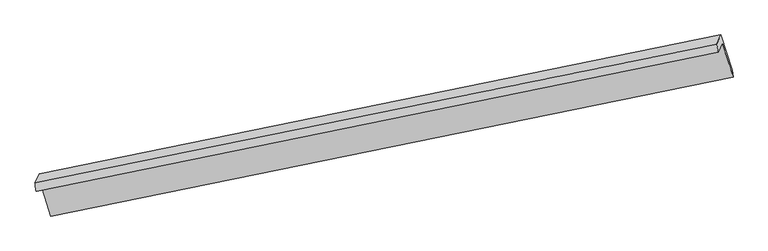
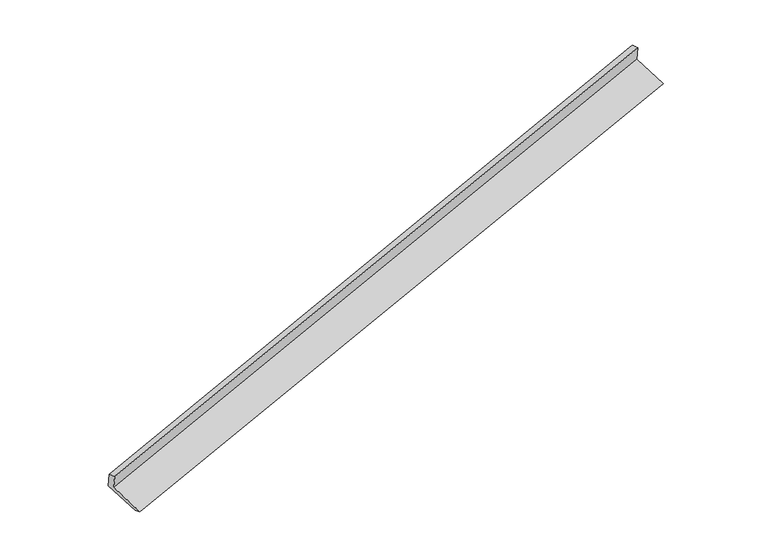
"""IFC4 building model written with IfcOpenShell, lengths in millimetres: proxy geometry."""

from ifc_helpers import new_model, si_unit, frame, origin, place, context, project, spatial, source, transform, mapped, element, save
from ifc_brep_helpers import plane_surface, spline_surface, advanced_brep


def generic_models_7a63361f(model_context):
    return source(origin(), model_context, "Body", "AdvancedBrep", [
        advanced_brep(
        [(-9701.8404861, -2858.0577857, 346.8885015), (-9622.4539988, -2681.6434965, -51.5430579), (3834.0528929, 76.747905, 3845.4120661), (3751.9778476, -105.6409533, 4257.337186), (-9724.7229952, -2691.5735369, 307.3530556), (3726.4067804, 54.8687262, 4231.2953008), (-9642.495327, -2508.8455169, -105.3380608), (3808.6344486, 237.5967463, 3818.6041844), (-9426.7987929, -3189.6595764, -363.8063869), (4028.5909597, -456.6632975, 3555.0311444), (-9412.17468, -3345.3589209, -303.5199558), (4048.5921887, -600.4135036, 3588.3304542)],
        [
            (0, 1),
            (1, 2),
            (2, 3),
            (3, 0),
            (4, 0),
            (3, 5),
            (5, 4),
            (6, 4),
            (5, 7),
            (7, 6),
            (8, 6),
            (7, 9),
            (9, 8),
            (10, 8),
            (9, 11),
            (11, 10),
            (1, 10),
            (11, 2),
        ],
        [
            plane_surface(frame((-9662.1472424, -2769.8506411, 147.6727218), z_axis=(0.28249278640980924, -0.896708607256139, -0.34075137461084093), x_axis=(0.1792372040570958, 0.39830461105595144, -0.8995707095572656))),
            spline_surface(1, 1, [[(-9724.7229952, -2691.5735369, 307.3530556), (3726.4067804, 54.8687262, 4231.2953008)], [(-9701.8404861, -2858.0577857, 346.8885015), (3751.9778476, -105.6409533, 4257.337186)]], [2, 2], [2, 2], [0.0, 1.0], [0.0, 1.0]),
            plane_surface(frame((-9683.6091611, -2600.2095269, 101.0074974), z_axis=(-0.28249278640979947, 0.8967086072561614, 0.34075137461079047), x_axis=(-0.1792372040571609, -0.39830461105591125, 0.8995707095572705))),
            plane_surface(frame((-9534.64706, -2849.2525467, -234.5722239), z_axis=(0.18088613919824234, 0.39864451443806076, -0.8990899597673176), x_axis=(-0.2839984627946049, 0.8963989484286515, 0.3403142641534574))),
            spline_surface(1, 1, [[(-9412.17468, -3345.3589209, -303.5199558), (4048.5921887, -600.4135036, 3588.3304542)], [(-9426.7987929, -3189.6595764, -363.8063869), (4028.5909597, -456.6632975, 3555.0311444)]], [2, 2], [2, 2], [0.0, 1.0], [0.0, 1.0]),
            plane_surface(frame((-9517.3143394, -3013.5012087, -177.5315068), z_axis=(-0.17890735060618448, -0.3982364837521146, 0.8996665287248536), x_axis=(0.2839984627945903, -0.8963989484286496, -0.3403142641534746))),
            plane_surface(frame((3866.375853, -132.2507295, 3882.6683893), z_axis=(0.9419229787047747, 0.19447972148168097, 0.2737859385000124), x_axis=(-0.2839984627946049, 0.8963989484286515, 0.3403142641534574))),
            plane_surface(frame((-9588.41438, -2879.1898056, -28.3276507), z_axis=(-0.9419229787046832, -0.1944797214820032, -0.2737859385000976), x_axis=(-0.17923720405711396, -0.39830461105594717, 0.8995707095572638))),
        ],
        [
            (0, [[1, 2, 3, 4]]),
            (1, [[5, -4, 6, 7]]),
            (2, [[8, -7, 9, 10]]),
            (3, [[11, -10, 12, 13]]),
            (4, [[14, -13, 15, 16]]),
            (5, [[17, -16, 18, -2]]),
            (6, [[-12, -9, -6, -3, -18, -15]]),
            (7, [[-1, -5, -8, -11, -14, -17]]),
        ],
    ),
    ])


if __name__ == "__main__":
    model = new_model("IFC4")
    model_context = context("Model", 3, world=origin())
    ifc_project = project(units=[si_unit("LENGTHUNIT", "METRE", prefix="MILLI")], contexts=[model_context])
    site = spatial("IfcSite", under=ifc_project)
    building = spatial("IfcBuilding", under=site)
    placement = place(None, origin())
    generic_models_shape = generic_models_7a63361f(model_context)
    element("IfcBuildingElementProxy", 1, Name="Generic Models", at=placement, inside=building, context=model_context, shape_type="MappedRepresentation", body=[
        mapped(generic_models_shape, transform((0.0, 0.0, 0.0), x_axis=(1.0, 0.0, 0.0), y_axis=(0.0, 1.0, 0.0), z_axis=(0.0, 0.0, 1.0))),
    ])
    save(model, "model.ifc")
